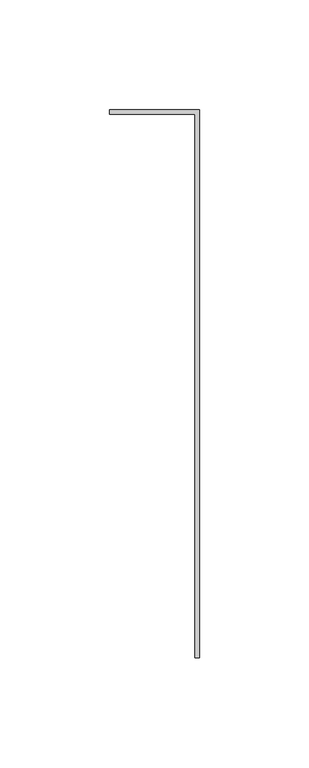
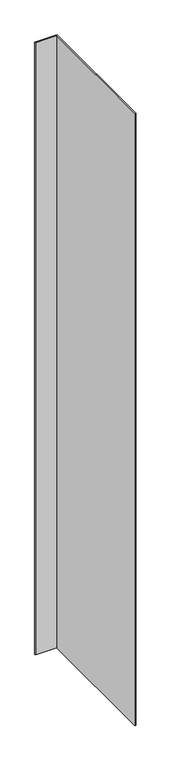
"""IFC4 building model written with IfcOpenShell, lengths in millimetres: member geometry."""

from ifc_helpers import new_model, si_unit, frame, origin, place, context, project, spatial, polyline, outline, extrude, source, transform, mapped, element, save


def member_8506b45f(model_context):
    return source(origin(), model_context, "Body", "SweptSolid", [
        extrude(outline(polyline([(-2.0108815, 0.0), (-2.0108815, 248.0), (-41.0, 248.0), (-41.0, 250.0), (0.0, 250.0), (0.0, 0.0), (-2.0108815, 0.0)])), frame((0.0, 0.0, -1184.5835319), z_axis=(0.0, 0.0, 1.0), x_axis=(1.0, 0.0, 0.0)), (0.0, 0.0, 1.0), 1184.5835319),
    ])


if __name__ == "__main__":
    model = new_model("IFC4")
    model_context = context("Model", 3, world=origin())
    ifc_project = project(units=[si_unit("LENGTHUNIT", "METRE", prefix="MILLI")], contexts=[model_context])
    site = spatial("IfcSite", under=ifc_project)
    building = spatial("IfcBuilding", under=site)
    placement = place(None, origin())
    member_shape = member_8506b45f(model_context)
    element("IfcMember", 1, at=placement, inside=building, context=model_context, shape_type="MappedRepresentation", body=[
        mapped(member_shape, transform((0.0, 0.0, 0.0), x_axis=(1.0, 0.0, 0.0), y_axis=(0.0, 1.0, 0.0), z_axis=(0.0, 0.0, 1.0))),
    ])
    save(model, "model.ifc")
